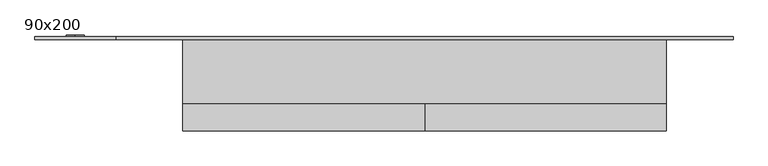
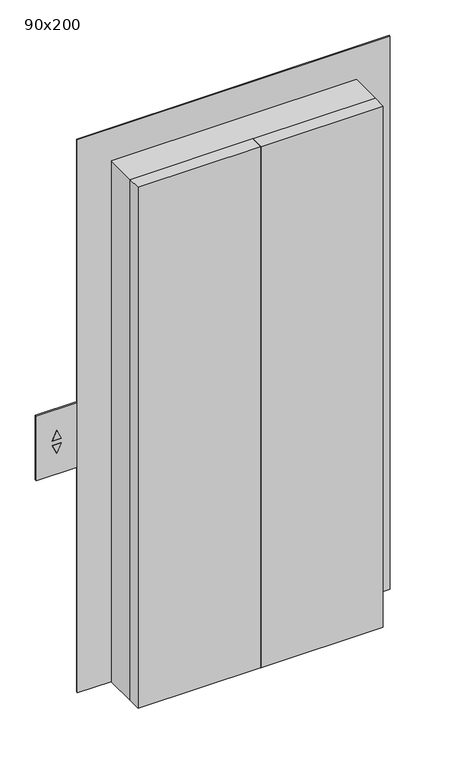
"""IFC4 building model written with IfcOpenShell, lengths in millimetres: proxy geometry, 90x200."""

from ifc_helpers import new_model, si_unit, frame, origin, origin_with_axes, place, context, project, spatial, polyline, outline, extrude, faceted_brep, source, transform, mapped, element, save


def proxy_90x200_3bb4ef05(model_context):
    return source(origin(), model_context, "Body", "SolidModel", [
        extrude(outline(polyline([(500.0, -110.0), (51.0, -110.0), (51.0, -60.0), (500.0, -60.0), (500.0, -110.0)])), origin_with_axes(), (0.0, 0.0, 1.0), 2020.0),
        extrude(outline(polyline([(50.0, -110.0), (-400.0, -110.0), (-400.0, -60.0), (50.0, -60.0), (50.0, -110.0)])), origin_with_axes(), (0.0, 0.0, 1.0), 2020.0),
        faceted_brep([(624.0, 66.0, 0.0), (624.0, 60.0, 0.0), (500.0, 60.0, 0.0), (500.0, -60.0, 0.0), (494.0, -60.0, 0.0), (494.0, 66.0, 0.0), (624.0, 66.0, 2144.0), (624.0, 60.0, 2144.0), (-524.0, 60.0, 2144.0), (-524.0, 60.0, 0.0), (-400.0, 60.0, 0.0), (-400.0, 60.0, 2020.0), (500.0, 60.0, 2020.0), (500.0, -60.0, 2020.0), (-400.0, -60.0, 2020.0), (-400.0, -60.0, 0.0), (-394.0, -60.0, 0.0), (-394.0, -60.0, 2014.0), (494.0, -60.0, 2014.0), (494.0, 66.0, 2014.0), (-394.0, 66.0, 2014.0), (-394.0, 66.0, 0.0), (-524.0, 66.0, 0.0), (-524.0, 66.0, 2144.0)], [[[0, 1, 2, 3, 4, 5]], [[1, 0, 6, 7]], [[2, 1, 7, 8, 9, 10, 11, 12]], [[3, 2, 12, 13]], [[4, 3, 13, 14, 15, 16, 17, 18]], [[5, 4, 18, 19]], [[0, 5, 19, 20, 21, 22, 23, 6]], [[7, 6, 23, 8]], [[13, 12, 11, 14]], [[19, 18, 17, 20]], [[22, 21, 16, 15, 10, 9]], [[8, 23, 22, 9]], [[14, 11, 10, 15]], [[20, 17, 16, 21]]]),
        extrude(outline(polyline([(1008.7476885, -583.0952695), (1045.0, -600.0), (1008.7476885, -616.9047305), (1008.7476885, -583.0952695)])), frame((0.0, 60.0, 0.0), z_axis=(0.0, 1.0, 0.0), x_axis=(0.0, 0.0, 1.0)), (0.0, 0.0, 1.0), 9.0),
        extrude(outline(polyline([(991.2523115, -583.0952695), (991.2523115, -616.9047305), (955.0, -600.0), (991.2523115, -583.0952695)])), frame((0.0, 60.0, 0.0), z_axis=(0.0, 1.0, 0.0), x_axis=(0.0, 0.0, 1.0)), (0.0, 0.0, 1.0), 9.0),
        extrude(outline(polyline([(875.0, -675.0), (875.0, -525.0), (1125.0, -525.0), (1125.0, -675.0), (875.0, -675.0)]), holes=[polyline([(1008.7476885, -583.0952695), (1008.7476885, -616.9047305), (1045.0, -600.0), (1008.7476885, -583.0952695)]), polyline([(991.2523115, -583.0952695), (955.0, -600.0), (991.2523115, -616.9047305), (991.2523115, -583.0952695)])]), frame((0.0, 60.0, 0.0), z_axis=(0.0, 1.0, 0.0), x_axis=(0.0, 0.0, 1.0)), (0.0, 0.0, 1.0), 6.0),
    ])


if __name__ == "__main__":
    model = new_model("IFC4")
    model_context = context("Model", 3, world=origin())
    ifc_project = project(units=[si_unit("LENGTHUNIT", "METRE", prefix="MILLI")], contexts=[model_context])
    site = spatial("IfcSite", under=ifc_project)
    building = spatial("IfcBuilding", under=site)
    placement = place(None, origin())
    proxy_90x200_shape = proxy_90x200_3bb4ef05(model_context)
    element("IfcBuildingElementProxy", 1, Name="90x200", ObjectType="90x200", at=placement, inside=building, context=model_context, shape_type="MappedRepresentation", body=[
        mapped(proxy_90x200_shape, transform((0.0, 0.0, 0.0), x_axis=(1.0, 0.0, 0.0), y_axis=(0.0, 1.0, 0.0), z_axis=(0.0, 0.0, 1.0))),
    ])
    save(model, "model.ifc")
